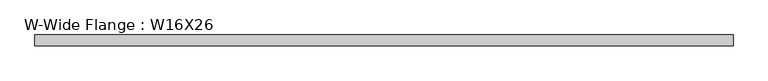
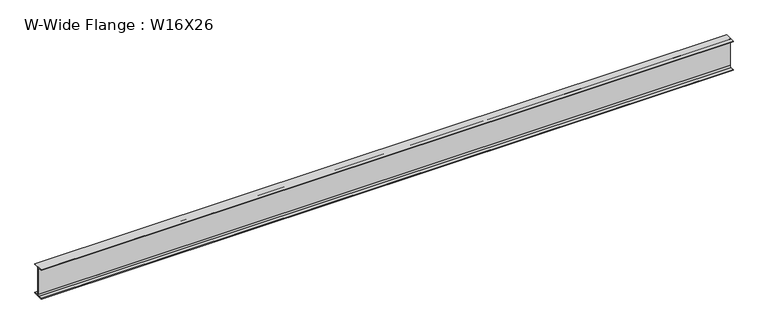
"""IFC4 building model written with IfcOpenShell, lengths in millimetres: beam geometry, W-Wide Flange : W16X26."""

from ifc_helpers import new_model, si_unit, point, frame, frame_2d, origin, place, context, project, spatial, polyline, circle_curve, trimmed, segment, composite_curve, outline, extrude, source, transform, mapped, element, save


def w_wide_flange_w16x26_624b9331(model_context):
    return source(origin(), model_context, "Body", "SweptSolid", [
        extrude(outline(composite_curve([segment(polyline([(69.85, -190.5496094), (69.85, -199.2808594), (-69.85, -199.2808594), (-69.85, -190.5496094), (-21.43125, -190.5496094)]), True, "CONTINUOUS"), segment(trimmed(circle_curve(frame_2d((-21.43125, -172.2933594)), 18.25625), [point((-21.43125, -190.5496094))], [point((-3.175, -172.2933594))], True, "CARTESIAN"), True, "CONTINUOUS"), segment(polyline([(-3.175, -172.2933594), (-3.175, 172.2933594)]), True, "CONTINUOUS"), segment(trimmed(circle_curve(frame_2d((-21.43125, 172.2933594)), 18.25625), [point((-3.175, 172.2933594))], [point((-21.43125, 190.5496094))], True, "CARTESIAN"), True, "CONTINUOUS"), segment(polyline([(-21.43125, 190.5496094), (-69.85, 190.5496094), (-69.85, 199.2808594), (69.85, 199.2808594), (69.85, 190.5496094), (21.43125, 190.5496094)]), True, "CONTINUOUS"), segment(trimmed(circle_curve(frame_2d((21.43125, 172.2933594)), 18.25625), [point((21.43125, 190.5496094))], [point((3.175, 172.2933594))], True, "CARTESIAN"), True, "CONTINUOUS"), segment(polyline([(3.175, 172.2933594), (3.175, -172.2933594)]), True, "CONTINUOUS"), segment(trimmed(circle_curve(frame_2d((21.43125, -172.2933594)), 18.25625), [point((3.175, -172.2933594))], [point((21.43125, -190.5496094))], True, "CARTESIAN"), True, "CONTINUOUS"), segment(polyline([(21.43125, -190.5496094), (69.85, -190.5496094)]), True, "CONTINUOUS")], self_intersect=False)), frame((-4457.6503906, 0.0, 0.0), z_axis=(1.0, 0.0, 0.0), x_axis=(0.0, 1.0, 0.0)), (0.0, 0.0, 1.0), 8915.3007813),
    ])


if __name__ == "__main__":
    model = new_model("IFC4")
    model_context = context("Model", 3, world=origin())
    ifc_project = project(units=[si_unit("LENGTHUNIT", "METRE", prefix="MILLI")], contexts=[model_context])
    site = spatial("IfcSite", under=ifc_project)
    building = spatial("IfcBuilding", under=site)
    placement = place(None, origin())
    w_wide_flange_w16x26_shape = w_wide_flange_w16x26_624b9331(model_context)
    element("IfcBeam", 1, ObjectType="W-Wide Flange : W16X26", at=placement, inside=building, context=model_context, shape_type="MappedRepresentation", body=[
        mapped(w_wide_flange_w16x26_shape, transform((0.0, 0.0, 0.0), x_axis=(1.0, 0.0, 0.0), y_axis=(0.0, 1.0, 0.0), z_axis=(0.0, 0.0, 1.0))),
    ])
    save(model, "model.ifc")
